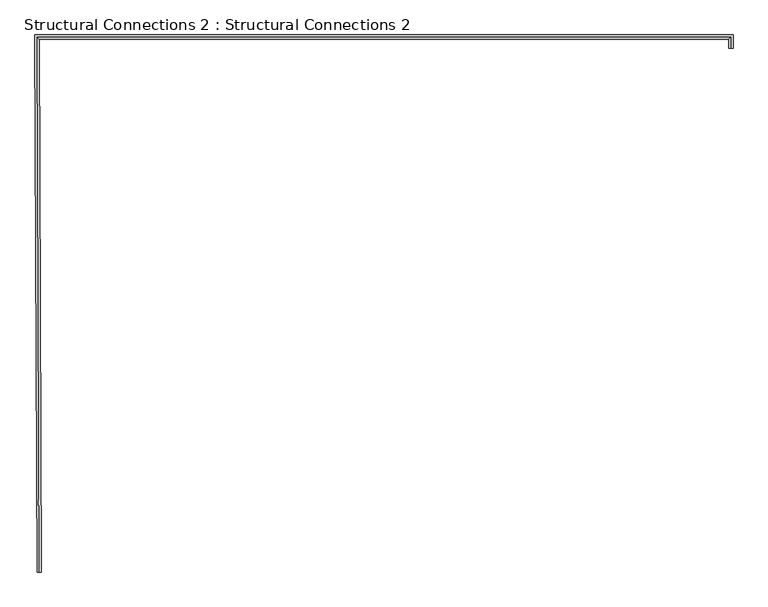
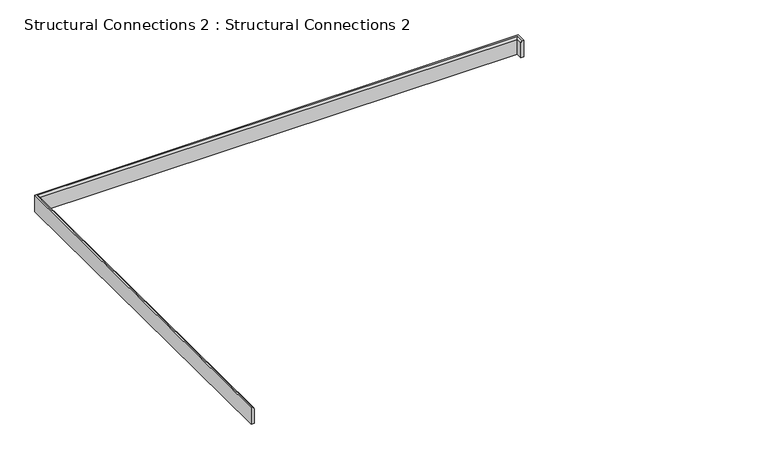
"""IFC4 building model written with IfcOpenShell, lengths in millimetres: fastener geometry, Structural Connections 2 : Structural Connections 2."""

import ifcopenshell
import ifcopenshell.guid

model = None  # the IFC model being written
_history = None  # IfcOwnerHistory: only IFC2X3 demands one
_inside = {}  # id of a spatial element -> (the spatial element, [elements in it])
_under = {}  # id of a project, library or spatial element -> (it, [spatial elements below it])
_declared = {}  # id of a project -> (the project, [libraries it declares])
_typed = {}  # id of a type object -> (the type object, [elements of that type])
_made_of = {}  # id of a material, layer set ... -> (it, [elements and type objects made of it])


def new_model(schema):
    """Start an empty IFC model of exactly this schema.

    Asked for "IFC4X3", IfcOpenShell would pick the latest addendum, in which some entities
    have other attributes; the version numbers below select the first issue.
    IFC2X3 requires an IfcOwnerHistory on every rooted entity: one is made here for all.
    """
    global model, _history
    if schema == "IFC4X3":
        model = ifcopenshell.file(schema_version=(4, 3, 0, 0))
    else:
        model = ifcopenshell.file(schema=schema)
    _inside.clear()
    _under.clear()
    _declared.clear()
    _typed.clear()
    _made_of.clear()
    _history = None
    if model.schema == "IFC2X3":
        org = make("IfcOrganization", Name="unknown")
        user = make(
            "IfcPersonAndOrganization",
            ThePerson=make("IfcPerson", FamilyName="unknown"),
            TheOrganization=org,
        )
        app = make(
            "IfcApplication",
            ApplicationDeveloper=org,
            Version="unknown",
            ApplicationFullName="unknown",
            ApplicationIdentifier="unknown",
        )
        _history = make(
            "IfcOwnerHistory",
            OwningUser=user,
            OwningApplication=app,
            ChangeAction="ADDED",
            CreationDate=0,
        )
    return model


def make(cls, **values):
    """One entity of the class cls with the attributes given. An attribute that is None is left unset."""
    return model.create_entity(
        cls, **{name: value for name, value in values.items() if value is not None}
    )


def rooted(cls, **values):
    """An entity with a GlobalId (a new one), such as an element, a storey or a relation."""
    return make(cls, GlobalId=ifcopenshell.guid.new(), OwnerHistory=_history, **values)


def si_unit(unit_type, name, prefix=None):
    """IfcSIUnit, for example si_unit("LENGTHUNIT", "METRE", prefix="MILLI")."""
    return make("IfcSIUnit", UnitType=unit_type, Prefix=prefix, Name=name)


def assignment(units):
    """IfcUnitAssignment: the units of a project."""
    return None if units is None else make("IfcUnitAssignment", Units=units)


def point(xyz):
    """IfcCartesianPoint."""
    return None if xyz is None else make("IfcCartesianPoint", Coordinates=xyz)


def direction(xyz):
    """IfcDirection."""
    return None if xyz is None else make("IfcDirection", DirectionRatios=xyz)


def frame(location, z_axis=None, x_axis=None):
    """IfcAxis2Placement3D, a coordinate frame: its origin and axes. An axis left out is left unset."""
    return make(
        "IfcAxis2Placement3D",
        Location=point(location),
        Axis=direction(z_axis),
        RefDirection=direction(x_axis),
    )


def origin():
    """The frame at (0, 0, 0) with its axes left unset."""
    return frame((0.0, 0.0, 0.0))


def place(relative_to, where):
    """IfcLocalPlacement: puts the frame where relative to a parent placement (None: the world)."""
    return make(
        "IfcLocalPlacement", PlacementRelTo=relative_to, RelativePlacement=where
    )


def context(
    kind, dimensions, precision=None, world=None, true_north=None, identifier=None
):
    """IfcGeometricRepresentationContext, for example the 3D "Model" context."""
    return make(
        "IfcGeometricRepresentationContext",
        ContextIdentifier=identifier,
        ContextType=kind,
        CoordinateSpaceDimension=dimensions,
        Precision=precision,
        WorldCoordinateSystem=world,
        TrueNorth=true_north,
    )


def project(units=None, contexts=None):
    """IfcProject with its units and contexts."""
    return rooted(
        "IfcProject",
        Name="project",
        RepresentationContexts=contexts,
        UnitsInContext=assignment(units),
    )


def spatial(cls, under=None, at=None, **own):
    """A site, building, storey or space (cls), placed at a placement, below another one or the project."""
    s = rooted(cls, ObjectPlacement=at, **own)
    if under is not None:
        _under.setdefault(under.id(), (under, []))[1].append(s)
    return s


def circle_curve(where, radius):
    """IfcCircle in the frame where."""
    return make("IfcCircle", Position=where, Radius=radius)


def ellipse_curve(where, semi_axis1, semi_axis2):
    """IfcEllipse in the frame where."""
    return make(
        "IfcEllipse", Position=where, SemiAxis1=semi_axis1, SemiAxis2=semi_axis2
    )


def shape(context_of_items, identifier, shape_type, items):
    """IfcShapeRepresentation: the items that make up one representation, for example the "Body"."""
    return make(
        "IfcShapeRepresentation",
        ContextOfItems=context_of_items,
        RepresentationIdentifier=identifier,
        RepresentationType=shape_type,
        Items=items,
    )


def source(mapping_origin, context_of_items, identifier, shape_type, items):
    """IfcRepresentationMap: a shape defined once, which mapped items show again and again."""
    return make(
        "IfcRepresentationMap",
        MappingOrigin=mapping_origin,
        MappedRepresentation=shape(context_of_items, identifier, shape_type, items),
    )


def transform(
    local_origin,
    x_axis=None,
    y_axis=None,
    z_axis=None,
    scale=None,
    scale2=None,
    scale3=None,
    uniform=True,
):
    """IfcCartesianTransformationOperator3D, or its non-uniform kind. x_axis, y_axis, z_axis: its Axis1, 2, 3."""
    if uniform:
        return make(
            "IfcCartesianTransformationOperator3D",
            Axis1=direction(x_axis),
            Axis2=direction(y_axis),
            LocalOrigin=point(local_origin),
            Scale=scale,
            Axis3=direction(z_axis),
        )
    return make(
        "IfcCartesianTransformationOperator3DnonUniform",
        Axis1=direction(x_axis),
        Axis2=direction(y_axis),
        LocalOrigin=point(local_origin),
        Scale=scale,
        Axis3=direction(z_axis),
        Scale2=scale2,
        Scale3=scale3,
    )


def mapped(mapping_source, mapping_target):
    """IfcMappedItem: shows the shape of a source again, moved by a transform."""
    return make(
        "IfcMappedItem", MappingSource=mapping_source, MappingTarget=mapping_target
    )


def made_of(thing, what):
    """Note that an element or type object is made of a material, layer set ...; save() writes the relation."""
    if what is not None:
        _made_of.setdefault(what.id(), (what, []))[1].append(thing)
    return thing


def element(
    cls,
    number,
    at=None,
    inside=None,
    cuts=None,
    type_object=None,
    material=None,
    context=None,
    identifier="Body",
    shape_type=None,
    held_by="IfcProductDefinitionShape",
    body=None,
    shapes=None,
    **own,
):
    """One element of the class cls, such as IfcWall. Its Tag is "e" and its number.

    at: its placement. inside: the storey or other place that contains it. cuts: it is an
    opening in that element (IfcRelVoidsElement). A single representation is given by context,
    identifier, shape_type and body (its items); several are given by shapes. held_by: the class
    of the entity that holds the representations. save() writes the other relations.
    """
    e = rooted(cls, Tag="e%d" % number, ObjectPlacement=at, **own)
    if body is not None:
        shapes = [shape(context, identifier, shape_type, body)]
    if shapes is not None:
        e.Representation = make(held_by, Representations=shapes)
    if inside is not None:
        _inside.setdefault(inside.id(), (inside, []))[1].append(e)
    if cuts is not None:
        rooted(
            "IfcRelVoidsElement", RelatingBuildingElement=cuts, RelatedOpeningElement=e
        )
    if type_object is not None:
        _typed.setdefault(type_object.id(), (type_object, []))[1].append(e)
    return made_of(e, material)


def aggregate(whole, parts):
    """IfcRelAggregates: a whole, such as a stair, and the parts it consists of."""
    return rooted("IfcRelAggregates", RelatingObject=whole, RelatedObjects=parts)


def save(model, path):
    """Write the relations noted so far, then the file.

    IfcRelAggregates (storeys below a building ...), IfcRelContainedInSpatialStructure (elements
    in a storey), IfcRelDefinesByType, IfcRelAssociatesMaterial and IfcRelDeclares: one each for
    every whole, place, type object, material and project.
    """
    for whole, parts in _under.values():
        aggregate(whole, parts)
    for where, things in _inside.values():
        rooted(
            "IfcRelContainedInSpatialStructure",
            RelatedElements=things,
            RelatingStructure=where,
        )
    for kind, things in _typed.values():
        rooted("IfcRelDefinesByType", RelatedObjects=things, RelatingType=kind)
    for what, things in _made_of.values():
        rooted("IfcRelAssociatesMaterial", RelatedObjects=things, RelatingMaterial=what)
    for by, libraries in _declared.values():
        rooted("IfcRelDeclares", RelatingContext=by, RelatedDefinitions=libraries)
    model.write(path)


def plane_surface(at):
    """IfcPlane: the flat surface through the origin of the frame at, square to its z axis."""
    return make("IfcPlane", Position=at)


def cylinder_surface(at, radius):
    """IfcCylindricalSurface: all points at the distance radius from the z axis of the frame at."""
    return make("IfcCylindricalSurface", Position=at, Radius=radius)


def advanced_brep(points, edges, surfaces, faces):
    """IfcAdvancedBrep: a solid bounded by faces that lie on surfaces and meet in shared edges.

    An edge is (start, end): straight between two places in points (the first is 0);
    or (start, end, curve); or (start, end, curve, False) where it runs against its curve.
    A face is (place in surfaces, loops), or (place, loops, False) where it looks against
    its surface's normal. A loop lists edges by number (the first is 1), with a minus sign
    where the edge is run from its end to its start. The first loop is the outer one.
    """
    corners = [point(p) for p in points]
    vertices = [make("IfcVertexPoint", VertexGeometry=c) for c in corners]
    made = []
    for start, end, *more in edges:
        made.append(
            make(
                "IfcEdgeCurve",
                EdgeStart=vertices[start],
                EdgeEnd=vertices[end],
                EdgeGeometry=more[0] if more else make("IfcPolyline", Points=[corners[start], corners[end]]),
                SameSense=more[1] if len(more) > 1 else True,
            )
        )
    hull = []
    for where, loops, *sense in faces:
        bounds = []
        for j, loop in enumerate(loops):
            ring = [make("IfcOrientedEdge", EdgeElement=made[abs(k) - 1], Orientation=k > 0) for k in loop]
            bounds.append(
                make(
                    "IfcFaceOuterBound" if j == 0 else "IfcFaceBound",
                    Bound=make("IfcEdgeLoop", EdgeList=ring),
                    Orientation=True,
                )
            )
        hull.append(make("IfcAdvancedFace", Bounds=bounds, FaceSurface=surfaces[where], SameSense=sense[0] if sense else True))
    return make("IfcAdvancedBrep", Outer=make("IfcClosedShell", CfsFaces=hull))


def structural_connections_2_structural_connections_2_6fc05ce4(model_context):
    return source(origin(), model_context, "Body", "AdvancedBrep", [
        advanced_brep(
        [(-45500.9562937, 51779.0401017, 108403.1908361), (-45509.4071222, 51779.00226, 108403.1908361), (-45520.7766327, 51778.9513488, 108388.0144843), (-45520.7766327, 51778.9513488, 108282.4278548), (-45500.9562937, 51779.0401017, 108282.4278548), (-45520.9735708, 51822.9316454, 108388.0144843), (-45520.9735708, 51822.9316454, 108282.4278548), (-48806.827103, 51822.7386224, 108282.4278548), (-48796.4985597, 49284.0757338, 108282.4278548), (-48816.3189334, 49283.9950946, 108282.4278548), (-48826.7284399, 51842.5579912, 108282.4278548), (-45501.2415933, 51842.7533423, 108282.4278548), (-45501.2415933, 51842.7533423, 108403.1908361), (-48806.827103, 51822.7386224, 108388.0144843), (-48826.7284399, 51842.5579912, 108403.1908361), (-48816.3189334, 49283.9950946, 108403.1908361), (-48796.4985597, 49284.0757338, 108388.0144843), (-48807.8680902, 49284.0294769, 108403.1908361), (-48818.2430762, 51834.1075764, 108403.1908361), (-45509.6547469, 51834.3019349, 108403.1908361)],
        [
            (0, 1),
            (1, 2, circle_curve(frame((-45506.3479139, 51779.0159588, 108389.0519041), z_axis=(0.00447782500635172, -0.9999899744913509, 0.0), x_axis=(-0.9999899744913509, -0.00447782500635172, 0.0)), 14.4661101)),
            (2, 3),
            (3, 4),
            (4, 0),
            (2, 5),
            (5, 6),
            (6, 3),
            (6, 7),
            (7, 8),
            (8, 9),
            (9, 10),
            (10, 11),
            (11, 4),
            (11, 12),
            (12, 0),
            (5, 13),
            (13, 7),
            (10, 14),
            (14, 12),
            (15, 9),
            (8, 16),
            (16, 17, circle_curve(frame((-48810.9273038, 49284.0170305, 108389.0519041), z_axis=(0.004068463706065036, -0.9999917237672883, 0.0), x_axis=(0.9999917237672883, 0.004068463706065036, 0.0)), 14.4661101)),
            (17, 15),
            (13, 16),
            (15, 14),
            (17, 18),
            (18, 19),
            (19, 1),
            (19, 5, ellipse_curve(frame((-45506.609177, 51837.3613527, 108389.0519041), z_axis=(0.7087088852407398, -0.7055010389650945, 0.0), x_axis=(-0.7055010389650944, -0.7087088852407399, 0.0)), 20.4131152, 14.4661101)),
            (18, 13, ellipse_curve(frame((-48821.3147863, 51837.1666349, 108389.0519041), z_axis=(0.7056460845064177, 0.7085644666653568, 0.0), x_axis=(0.7085644666653568, -0.7056460845064176, 0.0)), 20.4993086, 14.4661101)),
        ],
        [
            plane_surface(frame((-45505.5165608, 51779.0196814, 108155.0), z_axis=(0.00447782500635172, -0.9999899744913509, 0.0), x_axis=(0.0, 0.0, 1.0))),
            plane_surface(frame((-45520.7766327, 51778.9513488, 108388.0144843), z_axis=(-0.9999899744913515, -0.004477825006205979, 0.0), x_axis=(-0.004477825006205979, 0.9999899744913515, 0.0))),
            plane_surface(frame((-45520.7766327, 51778.9513488, 108282.4278548), z_axis=(0.0, 0.0, -1.0), x_axis=(-0.004477825006205098, 0.9999899744913515, 0.0))),
            plane_surface(frame((-45500.9562937, 51779.0401017, 108282.4278548), z_axis=(0.9999899744913513, 0.004477825006249222, 0.0), x_axis=(-0.004477825006249222, 0.9999899744913513, 0.0))),
            plane_surface(frame((-45520.9735708, 51822.9316454, 108388.0144843), z_axis=(5.874362865449118e-05, -0.9999999982745932, 0.0), x_axis=(-0.9999999982745932, -5.874362865449118e-05, 0.0))),
            plane_surface(frame((-45501.2415933, 51842.7533423, 108282.4278548), z_axis=(-5.874362865210884e-05, 0.9999999982745931, 0.0), x_axis=(-0.9999999982745931, -5.874362865210884e-05, 0.0))),
            plane_surface(frame((-48811.7586583, 49284.0136481, 108155.0), z_axis=(0.004068463706065142, -0.9999917237672883, 0.0), x_axis=(0.0, 0.0, 1.0))),
            plane_surface(frame((-48806.827103, 51822.7386224, 108388.0144843), z_axis=(0.9999917237672883, 0.0040684637060637045, 0.0), x_axis=(0.0040684637060637045, -0.9999917237672883, 0.0))),
            plane_surface(frame((-48826.7284399, 51842.5579912, 108282.4278548), z_axis=(-0.9999917237672883, -0.00406846370606451, 0.0), x_axis=(0.00406846370606451, -0.9999917237672883, 0.0))),
            plane_surface(frame((-45500.9562937, 51779.0401017, 108403.1908361), z_axis=(0.0, 0.0, 1.0), x_axis=(-0.004477825006249831, 0.9999899744913513, 0.0))),
            cylinder_surface(frame((-45506.3479139, 51779.0159588, 108389.0519041), z_axis=(0.00447782500635172, -0.9999899744913509, 0.0), x_axis=(-0.9999899744913509, -0.00447782500635172, 0.0)), 14.4661101),
            cylinder_surface(frame((-45505.7814814, 51837.3614014, 108389.0519041), z_axis=(0.9999999982745931, 5.874362865345827e-05, 0.0), x_axis=(5.874362865345827e-05, -0.9999999982745931, 0.0)), 14.4661101),
            cylinder_surface(frame((-48821.3181822, 51838.0013296, 108389.0519041), z_axis=(-0.004068463706065036, 0.9999917237672883, 0.0), x_axis=(0.9999917237672883, 0.004068463706065036, 0.0)), 14.4661101),
        ],
        [
            (0, [[1, 2, 3, 4, 5]]),
            (1, [[-3, 6, 7, 8]]),
            (2, [[-4, -8, 9, 10, 11, 12, 13, 14]]),
            (3, [[-5, -14, 15, 16]]),
            (4, [[-7, 17, 18, -9]]),
            (5, [[-15, -13, 19, 20]]),
            (6, [[21, -11, 22, 23, 24]]),
            (7, [[-18, 25, -22, -10]]),
            (8, [[-19, -12, -21, 26]]),
            (9, [[-1, -16, -20, -26, -24, 27, 28, 29]]),
            (10, [[-2, -29, 30, -6]]),
            (11, [[-30, -28, 31, -17]]),
            (12, [[-31, -27, -23, -25]]),
        ],
    ),
    ])


if __name__ == "__main__":
    model = new_model("IFC4")
    model_context = context("Model", 3, world=origin())
    ifc_project = project(units=[si_unit("LENGTHUNIT", "METRE", prefix="MILLI")], contexts=[model_context])
    site = spatial("IfcSite", under=ifc_project)
    building = spatial("IfcBuilding", under=site)
    placement = place(None, origin())
    structural_connections_2_structural_connections_2_shape = structural_connections_2_structural_connections_2_6fc05ce4(model_context)
    element("IfcFastener", 1, ObjectType="Structural Connections 2 : Structural Connections 2", at=placement, inside=building, context=model_context, shape_type="MappedRepresentation", body=[
        mapped(structural_connections_2_structural_connections_2_shape, transform((0.0, 0.0, 0.0), x_axis=(1.0, 0.0, 0.0), y_axis=(0.0, 1.0, 0.0), z_axis=(0.0, 0.0, 1.0))),
    ])
    save(model, "model.ifc")
